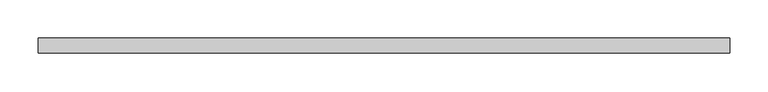
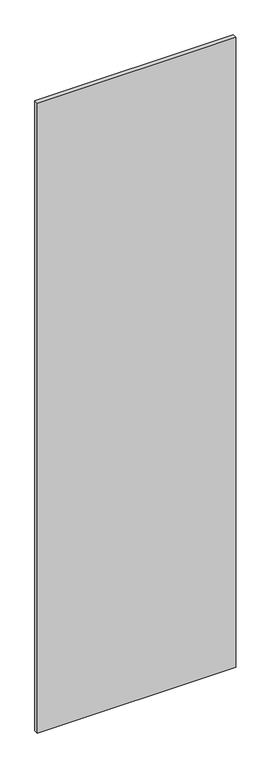
"""IFC4 building model written with IfcOpenShell, lengths in millimetres: proxy geometry."""

from ifc_helpers import new_model, si_unit, frame, origin, place, context, project, spatial, polyline, outline, extrude, source, transform, mapped, element, save


def specialty_equipment_1006a342(model_context):
    return source(origin(), model_context, "Body", "SweptSolid", [
        extrude(outline(polyline([(448.9704, -9.525), (-448.9704, -9.525), (-448.9704, 9.525), (448.9704, 9.525), (448.9704, -9.525)])), frame((0.0, 0.0, 3.175), z_axis=(0.0, 0.0, 1.0), x_axis=(1.0, 0.0, 0.0)), (0.0, 0.0, 1.0), 3013.075),
    ])


if __name__ == "__main__":
    model = new_model("IFC4")
    model_context = context("Model", 3, world=origin())
    ifc_project = project(units=[si_unit("LENGTHUNIT", "METRE", prefix="MILLI")], contexts=[model_context])
    site = spatial("IfcSite", under=ifc_project)
    building = spatial("IfcBuilding", under=site)
    placement = place(None, origin())
    specialty_equipment_shape = specialty_equipment_1006a342(model_context)
    element("IfcBuildingElementProxy", 1, Name="Specialty Equipment", at=placement, inside=building, context=model_context, shape_type="MappedRepresentation", body=[
        mapped(specialty_equipment_shape, transform((0.0, 0.0, 0.0), x_axis=(1.0, 0.0, 0.0), y_axis=(0.0, 1.0, 0.0), z_axis=(0.0, 0.0, 1.0))),
    ])
    save(model, "model.ifc")
